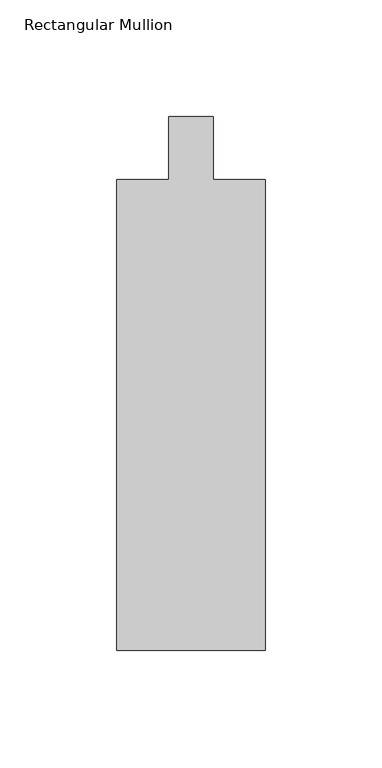
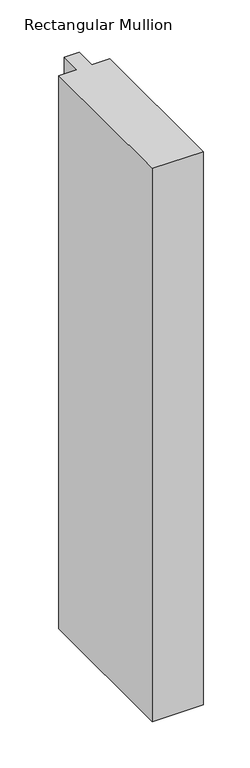
"""IFC4 building model written with IfcOpenShell, lengths in millimetres: member geometry, Rectangular Mullion."""

from ifc_helpers import new_model, si_unit, frame, origin, place, context, project, spatial, polyline, outline, extrude, source, transform, mapped, element, save


def rectangular_mullion_63ff321b(model_context):
    return source(origin(), model_context, "Body", "SweptSolid", [
        extrude(outline(polyline([(31.75, -228.6), (-31.75, -228.6), (-31.75, -26.9875), (-9.525, -26.9875), (-9.525, 0.0), (9.525, 0.0), (9.525, -26.9875), (31.75, -26.9875), (31.75, -228.6)])), frame((0.0, 0.0, -728.7898847), z_axis=(0.0, 0.0, 1.0), x_axis=(1.0, 0.0, 0.0)), (0.0, 0.0, 1.0), 728.7898847),
    ])


if __name__ == "__main__":
    model = new_model("IFC4")
    model_context = context("Model", 3, world=origin())
    ifc_project = project(units=[si_unit("LENGTHUNIT", "METRE", prefix="MILLI")], contexts=[model_context])
    site = spatial("IfcSite", under=ifc_project)
    building = spatial("IfcBuilding", under=site)
    placement = place(None, origin())
    rectangular_mullion_shape = rectangular_mullion_63ff321b(model_context)
    element("IfcMember", 1, ObjectType="Rectangular Mullion", at=placement, inside=building, context=model_context, shape_type="MappedRepresentation", body=[
        mapped(rectangular_mullion_shape, transform((0.0, 0.0, 0.0), x_axis=(1.0, 0.0, 0.0), y_axis=(0.0, 1.0, 0.0), z_axis=(0.0, 0.0, 1.0))),
    ])
    save(model, "model.ifc")
